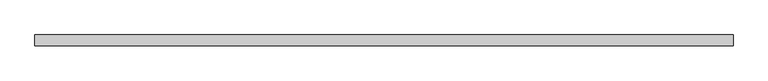
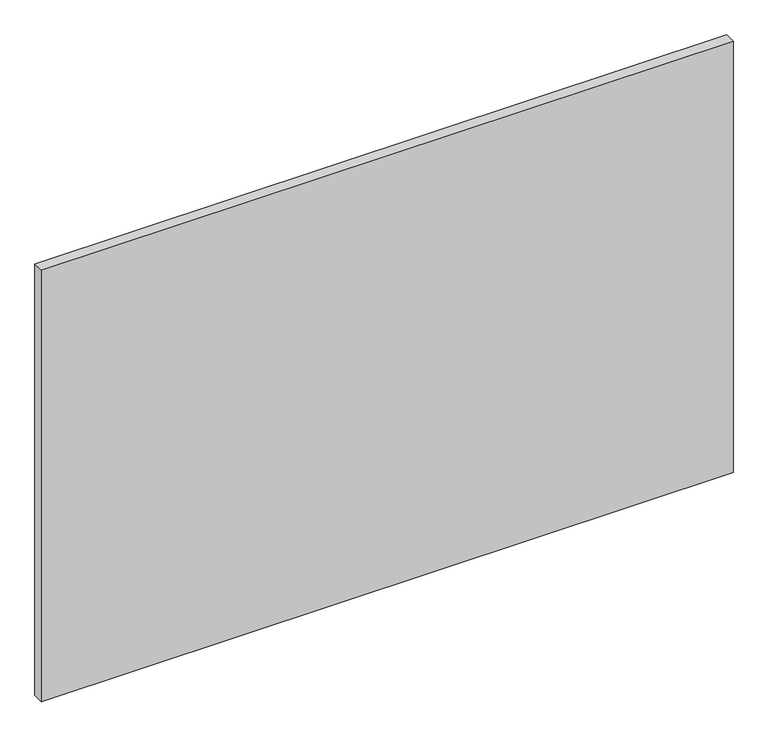
"""IFC4 building model written with IfcOpenShell, lengths in millimetres: proxy geometry."""

from ifc_helpers import new_model, si_unit, frame, origin, place, context, project, spatial, polyline, outline, extrude, source, transform, mapped, element, save


def specialty_equipment_21c43f8d(model_context):
    return source(origin(), model_context, "Body", "SweptSolid", [
        extrude(outline(polyline([(603.2666441, 0.0), (603.2666441, -19.05), (-603.2666441, -19.05), (-603.2666441, 0.0), (603.2666441, 0.0)])), frame((0.0, 0.0, 3.175), z_axis=(0.0, 0.0, 1.0), x_axis=(1.0, 0.0, 0.0)), (0.0, 0.0, 1.0), 796.0868001),
    ])


if __name__ == "__main__":
    model = new_model("IFC4")
    model_context = context("Model", 3, world=origin())
    ifc_project = project(units=[si_unit("LENGTHUNIT", "METRE", prefix="MILLI")], contexts=[model_context])
    site = spatial("IfcSite", under=ifc_project)
    building = spatial("IfcBuilding", under=site)
    placement = place(None, origin())
    specialty_equipment_shape = specialty_equipment_21c43f8d(model_context)
    element("IfcBuildingElementProxy", 1, Name="Specialty Equipment", at=placement, inside=building, context=model_context, shape_type="MappedRepresentation", body=[
        mapped(specialty_equipment_shape, transform((0.0, 0.0, 0.0), x_axis=(1.0, 0.0, 0.0), y_axis=(0.0, 1.0, 0.0), z_axis=(0.0, 0.0, 1.0))),
    ])
    save(model, "model.ifc")
